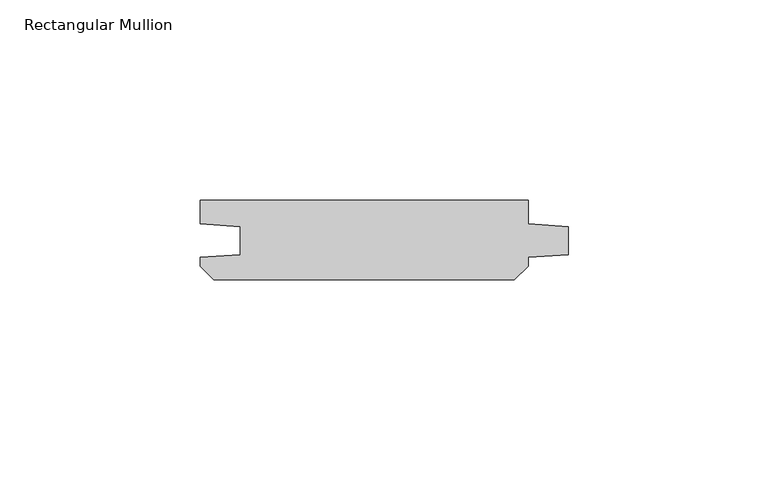
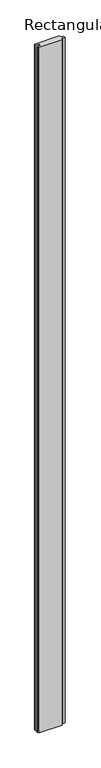
"""IFC4 building model written with IfcOpenShell, lengths in millimetres: member geometry, Rectangular Mullion."""

from ifc_helpers import new_model, si_unit, frame, origin, place, context, project, spatial, polyline, outline, extrude, source, transform, mapped, element, save


def rectangular_mullion_f28acfdc(model_context):
    return source(origin(), model_context, "Body", "SweptSolid", [
        extrude(outline(polyline([(-10.0, 0.0), (-10.0, -5.9651903), (0.0, -6.6644584), (0.0, -13.6642442), (-10.0, -14.3635124), (-10.0, -16.5283124), (-13.4716876, -20.0), (-88.5283124, -20.0), (-92.0, -16.5283124), (-92.0, -14.3635124), (-82.0, -13.6642442), (-82.0, -6.6644584), (-92.0, -5.9651903), (-92.0, 0.0), (-10.0, 0.0)])), frame((0.0, 0.0, -2400.0), z_axis=(0.0, 0.0, 1.0), x_axis=(1.0, 0.0, 0.0)), (0.0, 0.0, 1.0), 2400.0),
    ])


if __name__ == "__main__":
    model = new_model("IFC4")
    model_context = context("Model", 3, world=origin())
    ifc_project = project(units=[si_unit("LENGTHUNIT", "METRE", prefix="MILLI")], contexts=[model_context])
    site = spatial("IfcSite", under=ifc_project)
    building = spatial("IfcBuilding", under=site)
    placement = place(None, origin())
    rectangular_mullion_shape = rectangular_mullion_f28acfdc(model_context)
    element("IfcMember", 1, ObjectType="Rectangular Mullion", at=placement, inside=building, context=model_context, shape_type="MappedRepresentation", body=[
        mapped(rectangular_mullion_shape, transform((0.0, 0.0, 0.0), x_axis=(1.0, 0.0, 0.0), y_axis=(0.0, 1.0, 0.0), z_axis=(0.0, 0.0, 1.0))),
    ])
    save(model, "model.ifc")
